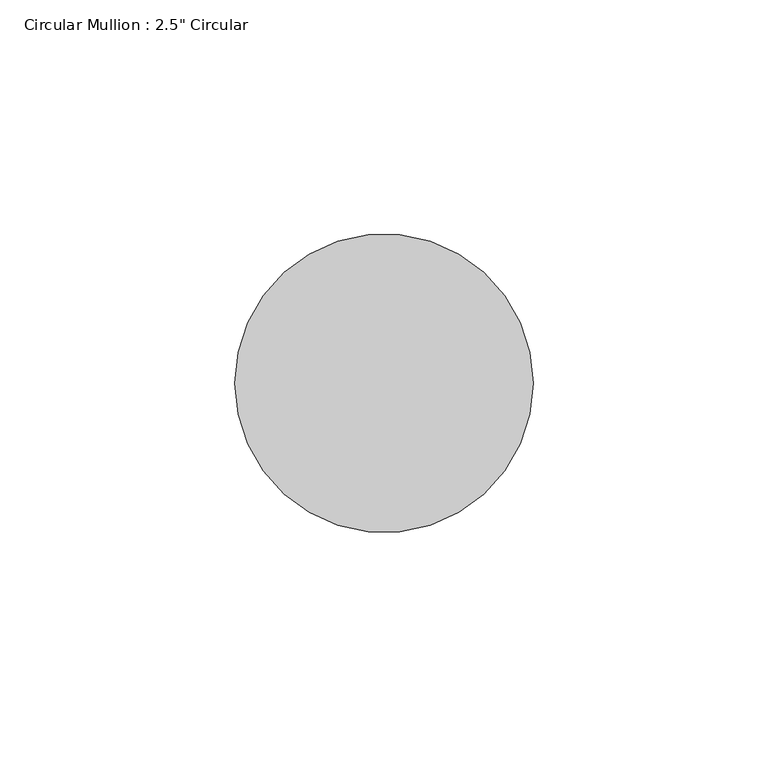
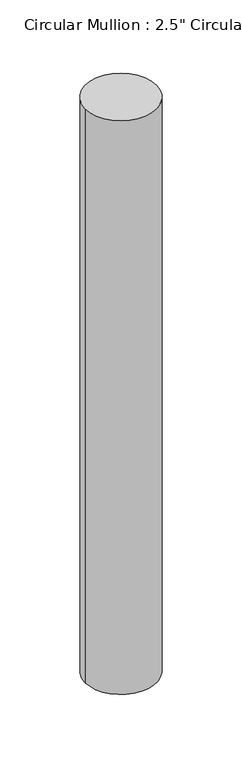
"""IFC4 building model written with IfcOpenShell, lengths in millimetres: member geometry."""

import ifcopenshell
import ifcopenshell.guid

model = None  # the IFC model being written
_history = None  # IfcOwnerHistory: only IFC2X3 demands one
_inside = {}  # id of a spatial element -> (the spatial element, [elements in it])
_under = {}  # id of a project, library or spatial element -> (it, [spatial elements below it])
_declared = {}  # id of a project -> (the project, [libraries it declares])
_typed = {}  # id of a type object -> (the type object, [elements of that type])
_made_of = {}  # id of a material, layer set ... -> (it, [elements and type objects made of it])


def new_model(schema):
    """Start an empty IFC model of exactly this schema.

    Asked for "IFC4X3", IfcOpenShell would pick the latest addendum, in which some entities
    have other attributes; the version numbers below select the first issue.
    IFC2X3 requires an IfcOwnerHistory on every rooted entity: one is made here for all.
    """
    global model, _history
    if schema == "IFC4X3":
        model = ifcopenshell.file(schema_version=(4, 3, 0, 0))
    else:
        model = ifcopenshell.file(schema=schema)
    _inside.clear()
    _under.clear()
    _declared.clear()
    _typed.clear()
    _made_of.clear()
    _history = None
    if model.schema == "IFC2X3":
        org = make("IfcOrganization", Name="unknown")
        user = make(
            "IfcPersonAndOrganization",
            ThePerson=make("IfcPerson", FamilyName="unknown"),
            TheOrganization=org,
        )
        app = make(
            "IfcApplication",
            ApplicationDeveloper=org,
            Version="unknown",
            ApplicationFullName="unknown",
            ApplicationIdentifier="unknown",
        )
        _history = make(
            "IfcOwnerHistory",
            OwningUser=user,
            OwningApplication=app,
            ChangeAction="ADDED",
            CreationDate=0,
        )
    return model


def make(cls, **values):
    """One entity of the class cls with the attributes given. An attribute that is None is left unset."""
    return model.create_entity(
        cls, **{name: value for name, value in values.items() if value is not None}
    )


def rooted(cls, **values):
    """An entity with a GlobalId (a new one), such as an element, a storey or a relation."""
    return make(cls, GlobalId=ifcopenshell.guid.new(), OwnerHistory=_history, **values)


def si_unit(unit_type, name, prefix=None):
    """IfcSIUnit, for example si_unit("LENGTHUNIT", "METRE", prefix="MILLI")."""
    return make("IfcSIUnit", UnitType=unit_type, Prefix=prefix, Name=name)


def assignment(units):
    """IfcUnitAssignment: the units of a project."""
    return None if units is None else make("IfcUnitAssignment", Units=units)


def point(xyz):
    """IfcCartesianPoint."""
    return None if xyz is None else make("IfcCartesianPoint", Coordinates=xyz)


def direction(xyz):
    """IfcDirection."""
    return None if xyz is None else make("IfcDirection", DirectionRatios=xyz)


def frame(location, z_axis=None, x_axis=None):
    """IfcAxis2Placement3D, a coordinate frame: its origin and axes. An axis left out is left unset."""
    return make(
        "IfcAxis2Placement3D",
        Location=point(location),
        Axis=direction(z_axis),
        RefDirection=direction(x_axis),
    )


def frame_2d(location, x_axis=None):
    """IfcAxis2Placement2D, a coordinate frame in the plane: its origin and x axis."""
    return make(
        "IfcAxis2Placement2D", Location=point(location), RefDirection=direction(x_axis)
    )


def origin():
    """The frame at (0, 0, 0) with its axes left unset."""
    return frame((0.0, 0.0, 0.0))


def origin_2d():
    """The frame at (0, 0) in the plane with its x axis left unset."""
    return frame_2d((0.0, 0.0))


def place(relative_to, where):
    """IfcLocalPlacement: puts the frame where relative to a parent placement (None: the world)."""
    return make(
        "IfcLocalPlacement", PlacementRelTo=relative_to, RelativePlacement=where
    )


def context(
    kind, dimensions, precision=None, world=None, true_north=None, identifier=None
):
    """IfcGeometricRepresentationContext, for example the 3D "Model" context."""
    return make(
        "IfcGeometricRepresentationContext",
        ContextIdentifier=identifier,
        ContextType=kind,
        CoordinateSpaceDimension=dimensions,
        Precision=precision,
        WorldCoordinateSystem=world,
        TrueNorth=true_north,
    )


def project(units=None, contexts=None):
    """IfcProject with its units and contexts."""
    return rooted(
        "IfcProject",
        Name="project",
        RepresentationContexts=contexts,
        UnitsInContext=assignment(units),
    )


def spatial(cls, under=None, at=None, **own):
    """A site, building, storey or space (cls), placed at a placement, below another one or the project."""
    s = rooted(cls, ObjectPlacement=at, **own)
    if under is not None:
        _under.setdefault(under.id(), (under, []))[1].append(s)
    return s


def circle_curve(where, radius):
    """IfcCircle in the frame where."""
    return make("IfcCircle", Position=where, Radius=radius)


def trimmed(basis, trim1, trim2, sense, master):
    """IfcTrimmedCurve: the piece of a basis curve between two trims."""
    return make(
        "IfcTrimmedCurve",
        BasisCurve=basis,
        Trim1=trim1,
        Trim2=trim2,
        SenseAgreement=sense,
        MasterRepresentation=master,
    )


def segment(curve, same_sense, transition):
    """IfcCompositeCurveSegment."""
    return make(
        "IfcCompositeCurveSegment",
        Transition=transition,
        SameSense=same_sense,
        ParentCurve=curve,
    )


def composite_curve(segments, self_intersect=None):
    """IfcCompositeCurve: segments joined end to end."""
    return make("IfcCompositeCurve", Segments=segments, SelfIntersect=self_intersect)


def outline(outer, holes=None, kind="AREA"):
    """IfcArbitraryClosedProfileDef: a profile drawn as a closed curve; with holes, ...WithVoids."""
    if holes is None:
        return make("IfcArbitraryClosedProfileDef", ProfileType=kind, OuterCurve=outer)
    return make(
        "IfcArbitraryProfileDefWithVoids",
        ProfileType=kind,
        OuterCurve=outer,
        InnerCurves=holes,
    )


def extrude(swept, where, along, depth):
    """IfcExtrudedAreaSolid: the profile swept, set in the frame where, extruded along a direction by depth."""
    return make(
        "IfcExtrudedAreaSolid",
        SweptArea=swept,
        Position=where,
        ExtrudedDirection=direction(along),
        Depth=depth,
    )


def shape(context_of_items, identifier, shape_type, items):
    """IfcShapeRepresentation: the items that make up one representation, for example the "Body"."""
    return make(
        "IfcShapeRepresentation",
        ContextOfItems=context_of_items,
        RepresentationIdentifier=identifier,
        RepresentationType=shape_type,
        Items=items,
    )


def source(mapping_origin, context_of_items, identifier, shape_type, items):
    """IfcRepresentationMap: a shape defined once, which mapped items show again and again."""
    return make(
        "IfcRepresentationMap",
        MappingOrigin=mapping_origin,
        MappedRepresentation=shape(context_of_items, identifier, shape_type, items),
    )


def transform(
    local_origin,
    x_axis=None,
    y_axis=None,
    z_axis=None,
    scale=None,
    scale2=None,
    scale3=None,
    uniform=True,
):
    """IfcCartesianTransformationOperator3D, or its non-uniform kind. x_axis, y_axis, z_axis: its Axis1, 2, 3."""
    if uniform:
        return make(
            "IfcCartesianTransformationOperator3D",
            Axis1=direction(x_axis),
            Axis2=direction(y_axis),
            LocalOrigin=point(local_origin),
            Scale=scale,
            Axis3=direction(z_axis),
        )
    return make(
        "IfcCartesianTransformationOperator3DnonUniform",
        Axis1=direction(x_axis),
        Axis2=direction(y_axis),
        LocalOrigin=point(local_origin),
        Scale=scale,
        Axis3=direction(z_axis),
        Scale2=scale2,
        Scale3=scale3,
    )


def mapped(mapping_source, mapping_target):
    """IfcMappedItem: shows the shape of a source again, moved by a transform."""
    return make(
        "IfcMappedItem", MappingSource=mapping_source, MappingTarget=mapping_target
    )


def made_of(thing, what):
    """Note that an element or type object is made of a material, layer set ...; save() writes the relation."""
    if what is not None:
        _made_of.setdefault(what.id(), (what, []))[1].append(thing)
    return thing


def element(
    cls,
    number,
    at=None,
    inside=None,
    cuts=None,
    type_object=None,
    material=None,
    context=None,
    identifier="Body",
    shape_type=None,
    held_by="IfcProductDefinitionShape",
    body=None,
    shapes=None,
    **own,
):
    """One element of the class cls, such as IfcWall. Its Tag is "e" and its number.

    at: its placement. inside: the storey or other place that contains it. cuts: it is an
    opening in that element (IfcRelVoidsElement). A single representation is given by context,
    identifier, shape_type and body (its items); several are given by shapes. held_by: the class
    of the entity that holds the representations. save() writes the other relations.
    """
    e = rooted(cls, Tag="e%d" % number, ObjectPlacement=at, **own)
    if body is not None:
        shapes = [shape(context, identifier, shape_type, body)]
    if shapes is not None:
        e.Representation = make(held_by, Representations=shapes)
    if inside is not None:
        _inside.setdefault(inside.id(), (inside, []))[1].append(e)
    if cuts is not None:
        rooted(
            "IfcRelVoidsElement", RelatingBuildingElement=cuts, RelatedOpeningElement=e
        )
    if type_object is not None:
        _typed.setdefault(type_object.id(), (type_object, []))[1].append(e)
    return made_of(e, material)


def aggregate(whole, parts):
    """IfcRelAggregates: a whole, such as a stair, and the parts it consists of."""
    return rooted("IfcRelAggregates", RelatingObject=whole, RelatedObjects=parts)


def save(model, path):
    """Write the relations noted so far, then the file.

    IfcRelAggregates (storeys below a building ...), IfcRelContainedInSpatialStructure (elements
    in a storey), IfcRelDefinesByType, IfcRelAssociatesMaterial and IfcRelDeclares: one each for
    every whole, place, type object, material and project.
    """
    for whole, parts in _under.values():
        aggregate(whole, parts)
    for where, things in _inside.values():
        rooted(
            "IfcRelContainedInSpatialStructure",
            RelatedElements=things,
            RelatingStructure=where,
        )
    for kind, things in _typed.values():
        rooted("IfcRelDefinesByType", RelatedObjects=things, RelatingType=kind)
    for what, things in _made_of.values():
        rooted("IfcRelAssociatesMaterial", RelatedObjects=things, RelatingMaterial=what)
    for by, libraries in _declared.values():
        rooted("IfcRelDeclares", RelatingContext=by, RelatedDefinitions=libraries)
    model.write(path)


def member_60a63c64(model_context):
    return source(origin(), model_context, "Body", "SweptSolid", [
        extrude(outline(composite_curve([segment(trimmed(circle_curve(origin_2d(), 31.75), [point((31.75, 0.0))], [point((-31.75, 0.0))], False, "CARTESIAN"), True, "CONTINUOUS"), segment(trimmed(circle_curve(origin_2d(), 31.75), [point((-31.75, 0.0))], [point((31.75, 0.0))], False, "CARTESIAN"), True, "CONTINUOUS")], self_intersect=False)), frame((0.0, 0.0, -539.75), z_axis=(0.0, 0.0, 1.0), x_axis=(1.0, 0.0, 0.0)), (0.0, 0.0, 1.0), 539.75),
    ])


if __name__ == "__main__":
    model = new_model("IFC4")
    model_context = context("Model", 3, world=origin())
    ifc_project = project(units=[si_unit("LENGTHUNIT", "METRE", prefix="MILLI")], contexts=[model_context])
    site = spatial("IfcSite", under=ifc_project)
    building = spatial("IfcBuilding", under=site)
    placement = place(None, origin())
    member_shape = member_60a63c64(model_context)
    element("IfcMember", 1, ObjectType="Circular Mullion : 2.5\" Circular", at=placement, inside=building, context=model_context, shape_type="MappedRepresentation", body=[
        mapped(member_shape, transform((0.0, 0.0, 0.0), x_axis=(1.0, 0.0, 0.0), y_axis=(0.0, 1.0, 0.0), z_axis=(0.0, 0.0, 1.0))),
    ])
    save(model, "model.ifc")
